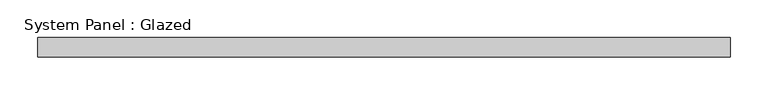
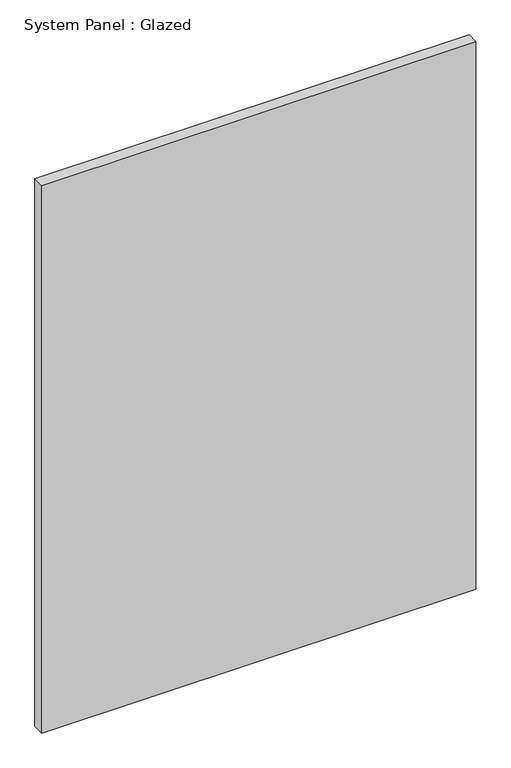
"""IFC4 building model written with IfcOpenShell, lengths in millimetres: plate geometry, System Panel : Glazed."""

from ifc_helpers import new_model, si_unit, origin, origin_with_axes, place, context, project, spatial, polyline, outline, extrude, source, transform, mapped, element, save


def system_panel_glazed_1ca3bf08(model_context):
    return source(origin(), model_context, "Body", "SweptSolid", [
        extrude(outline(polyline([(457.2, -44.45), (-457.2, -44.45), (-457.2, -19.05), (457.2, -19.05), (457.2, -44.45)])), origin_with_axes(), (0.0, 0.0, 1.0), 1219.2),
    ])


if __name__ == "__main__":
    model = new_model("IFC4")
    model_context = context("Model", 3, world=origin())
    ifc_project = project(units=[si_unit("LENGTHUNIT", "METRE", prefix="MILLI")], contexts=[model_context])
    site = spatial("IfcSite", under=ifc_project)
    building = spatial("IfcBuilding", under=site)
    placement = place(None, origin())
    system_panel_glazed_shape = system_panel_glazed_1ca3bf08(model_context)
    element("IfcPlate", 1, ObjectType="System Panel : Glazed", at=placement, inside=building, context=model_context, shape_type="MappedRepresentation", body=[
        mapped(system_panel_glazed_shape, transform((0.0, 0.0, 0.0), x_axis=(1.0, 0.0, 0.0), y_axis=(0.0, 1.0, 0.0), z_axis=(0.0, 0.0, 1.0))),
    ])
    save(model, "model.ifc")
